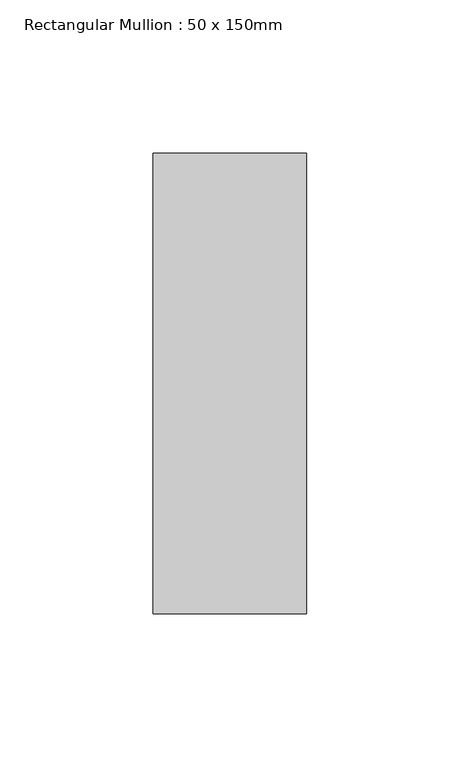
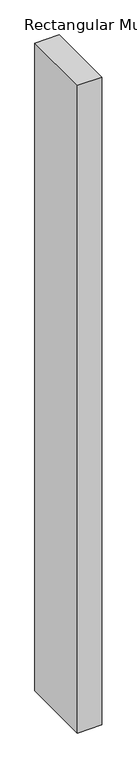
"""IFC4 building model written with IfcOpenShell, lengths in millimetres: member geometry, Rectangular Mullion : 50 x 150mm."""

import ifcopenshell
import ifcopenshell.guid

model = None  # the IFC model being written
_history = None  # IfcOwnerHistory: only IFC2X3 demands one
_inside = {}  # id of a spatial element -> (the spatial element, [elements in it])
_under = {}  # id of a project, library or spatial element -> (it, [spatial elements below it])
_declared = {}  # id of a project -> (the project, [libraries it declares])
_typed = {}  # id of a type object -> (the type object, [elements of that type])
_made_of = {}  # id of a material, layer set ... -> (it, [elements and type objects made of it])


def new_model(schema):
    """Start an empty IFC model of exactly this schema.

    Asked for "IFC4X3", IfcOpenShell would pick the latest addendum, in which some entities
    have other attributes; the version numbers below select the first issue.
    IFC2X3 requires an IfcOwnerHistory on every rooted entity: one is made here for all.
    """
    global model, _history
    if schema == "IFC4X3":
        model = ifcopenshell.file(schema_version=(4, 3, 0, 0))
    else:
        model = ifcopenshell.file(schema=schema)
    _inside.clear()
    _under.clear()
    _declared.clear()
    _typed.clear()
    _made_of.clear()
    _history = None
    if model.schema == "IFC2X3":
        org = make("IfcOrganization", Name="unknown")
        user = make(
            "IfcPersonAndOrganization",
            ThePerson=make("IfcPerson", FamilyName="unknown"),
            TheOrganization=org,
        )
        app = make(
            "IfcApplication",
            ApplicationDeveloper=org,
            Version="unknown",
            ApplicationFullName="unknown",
            ApplicationIdentifier="unknown",
        )
        _history = make(
            "IfcOwnerHistory",
            OwningUser=user,
            OwningApplication=app,
            ChangeAction="ADDED",
            CreationDate=0,
        )
    return model


def make(cls, **values):
    """One entity of the class cls with the attributes given. An attribute that is None is left unset."""
    return model.create_entity(
        cls, **{name: value for name, value in values.items() if value is not None}
    )


def rooted(cls, **values):
    """An entity with a GlobalId (a new one), such as an element, a storey or a relation."""
    return make(cls, GlobalId=ifcopenshell.guid.new(), OwnerHistory=_history, **values)


def si_unit(unit_type, name, prefix=None):
    """IfcSIUnit, for example si_unit("LENGTHUNIT", "METRE", prefix="MILLI")."""
    return make("IfcSIUnit", UnitType=unit_type, Prefix=prefix, Name=name)


def assignment(units):
    """IfcUnitAssignment: the units of a project."""
    return None if units is None else make("IfcUnitAssignment", Units=units)


def point(xyz):
    """IfcCartesianPoint."""
    return None if xyz is None else make("IfcCartesianPoint", Coordinates=xyz)


def direction(xyz):
    """IfcDirection."""
    return None if xyz is None else make("IfcDirection", DirectionRatios=xyz)


def frame(location, z_axis=None, x_axis=None):
    """IfcAxis2Placement3D, a coordinate frame: its origin and axes. An axis left out is left unset."""
    return make(
        "IfcAxis2Placement3D",
        Location=point(location),
        Axis=direction(z_axis),
        RefDirection=direction(x_axis),
    )


def origin():
    """The frame at (0, 0, 0) with its axes left unset."""
    return frame((0.0, 0.0, 0.0))


def place(relative_to, where):
    """IfcLocalPlacement: puts the frame where relative to a parent placement (None: the world)."""
    return make(
        "IfcLocalPlacement", PlacementRelTo=relative_to, RelativePlacement=where
    )


def context(
    kind, dimensions, precision=None, world=None, true_north=None, identifier=None
):
    """IfcGeometricRepresentationContext, for example the 3D "Model" context."""
    return make(
        "IfcGeometricRepresentationContext",
        ContextIdentifier=identifier,
        ContextType=kind,
        CoordinateSpaceDimension=dimensions,
        Precision=precision,
        WorldCoordinateSystem=world,
        TrueNorth=true_north,
    )


def project(units=None, contexts=None):
    """IfcProject with its units and contexts."""
    return rooted(
        "IfcProject",
        Name="project",
        RepresentationContexts=contexts,
        UnitsInContext=assignment(units),
    )


def spatial(cls, under=None, at=None, **own):
    """A site, building, storey or space (cls), placed at a placement, below another one or the project."""
    s = rooted(cls, ObjectPlacement=at, **own)
    if under is not None:
        _under.setdefault(under.id(), (under, []))[1].append(s)
    return s


def polyline(points):
    """IfcPolyline through the points."""
    return make("IfcPolyline", Points=[point(p) for p in points])


def outline(outer, holes=None, kind="AREA"):
    """IfcArbitraryClosedProfileDef: a profile drawn as a closed curve; with holes, ...WithVoids."""
    if holes is None:
        return make("IfcArbitraryClosedProfileDef", ProfileType=kind, OuterCurve=outer)
    return make(
        "IfcArbitraryProfileDefWithVoids",
        ProfileType=kind,
        OuterCurve=outer,
        InnerCurves=holes,
    )


def extrude(swept, where, along, depth):
    """IfcExtrudedAreaSolid: the profile swept, set in the frame where, extruded along a direction by depth."""
    return make(
        "IfcExtrudedAreaSolid",
        SweptArea=swept,
        Position=where,
        ExtrudedDirection=direction(along),
        Depth=depth,
    )


def shape(context_of_items, identifier, shape_type, items):
    """IfcShapeRepresentation: the items that make up one representation, for example the "Body"."""
    return make(
        "IfcShapeRepresentation",
        ContextOfItems=context_of_items,
        RepresentationIdentifier=identifier,
        RepresentationType=shape_type,
        Items=items,
    )


def source(mapping_origin, context_of_items, identifier, shape_type, items):
    """IfcRepresentationMap: a shape defined once, which mapped items show again and again."""
    return make(
        "IfcRepresentationMap",
        MappingOrigin=mapping_origin,
        MappedRepresentation=shape(context_of_items, identifier, shape_type, items),
    )


def transform(
    local_origin,
    x_axis=None,
    y_axis=None,
    z_axis=None,
    scale=None,
    scale2=None,
    scale3=None,
    uniform=True,
):
    """IfcCartesianTransformationOperator3D, or its non-uniform kind. x_axis, y_axis, z_axis: its Axis1, 2, 3."""
    if uniform:
        return make(
            "IfcCartesianTransformationOperator3D",
            Axis1=direction(x_axis),
            Axis2=direction(y_axis),
            LocalOrigin=point(local_origin),
            Scale=scale,
            Axis3=direction(z_axis),
        )
    return make(
        "IfcCartesianTransformationOperator3DnonUniform",
        Axis1=direction(x_axis),
        Axis2=direction(y_axis),
        LocalOrigin=point(local_origin),
        Scale=scale,
        Axis3=direction(z_axis),
        Scale2=scale2,
        Scale3=scale3,
    )


def mapped(mapping_source, mapping_target):
    """IfcMappedItem: shows the shape of a source again, moved by a transform."""
    return make(
        "IfcMappedItem", MappingSource=mapping_source, MappingTarget=mapping_target
    )


def made_of(thing, what):
    """Note that an element or type object is made of a material, layer set ...; save() writes the relation."""
    if what is not None:
        _made_of.setdefault(what.id(), (what, []))[1].append(thing)
    return thing


def element(
    cls,
    number,
    at=None,
    inside=None,
    cuts=None,
    type_object=None,
    material=None,
    context=None,
    identifier="Body",
    shape_type=None,
    held_by="IfcProductDefinitionShape",
    body=None,
    shapes=None,
    **own,
):
    """One element of the class cls, such as IfcWall. Its Tag is "e" and its number.

    at: its placement. inside: the storey or other place that contains it. cuts: it is an
    opening in that element (IfcRelVoidsElement). A single representation is given by context,
    identifier, shape_type and body (its items); several are given by shapes. held_by: the class
    of the entity that holds the representations. save() writes the other relations.
    """
    e = rooted(cls, Tag="e%d" % number, ObjectPlacement=at, **own)
    if body is not None:
        shapes = [shape(context, identifier, shape_type, body)]
    if shapes is not None:
        e.Representation = make(held_by, Representations=shapes)
    if inside is not None:
        _inside.setdefault(inside.id(), (inside, []))[1].append(e)
    if cuts is not None:
        rooted(
            "IfcRelVoidsElement", RelatingBuildingElement=cuts, RelatedOpeningElement=e
        )
    if type_object is not None:
        _typed.setdefault(type_object.id(), (type_object, []))[1].append(e)
    return made_of(e, material)


def aggregate(whole, parts):
    """IfcRelAggregates: a whole, such as a stair, and the parts it consists of."""
    return rooted("IfcRelAggregates", RelatingObject=whole, RelatedObjects=parts)


def save(model, path):
    """Write the relations noted so far, then the file.

    IfcRelAggregates (storeys below a building ...), IfcRelContainedInSpatialStructure (elements
    in a storey), IfcRelDefinesByType, IfcRelAssociatesMaterial and IfcRelDeclares: one each for
    every whole, place, type object, material and project.
    """
    for whole, parts in _under.values():
        aggregate(whole, parts)
    for where, things in _inside.values():
        rooted(
            "IfcRelContainedInSpatialStructure",
            RelatedElements=things,
            RelatingStructure=where,
        )
    for kind, things in _typed.values():
        rooted("IfcRelDefinesByType", RelatedObjects=things, RelatingType=kind)
    for what, things in _made_of.values():
        rooted("IfcRelAssociatesMaterial", RelatedObjects=things, RelatingMaterial=what)
    for by, libraries in _declared.values():
        rooted("IfcRelDeclares", RelatingContext=by, RelatedDefinitions=libraries)
    model.write(path)


def rectangular_mullion_50_x_150mm_07e14ac9(model_context):
    return source(origin(), model_context, "Body", "SweptSolid", [
        extrude(outline(polyline([(25.0, 75.0), (25.0, -75.0), (-25.0, -75.0), (-25.0, 75.0), (25.0, 75.0)])), frame((0.0, 0.0, -1395.6248603), z_axis=(0.0, 0.0, 1.0), x_axis=(1.0, 0.0, 0.0)), (0.0, 0.0, 1.0), 1395.6248603),
    ])


if __name__ == "__main__":
    model = new_model("IFC4")
    model_context = context("Model", 3, world=origin())
    ifc_project = project(units=[si_unit("LENGTHUNIT", "METRE", prefix="MILLI")], contexts=[model_context])
    site = spatial("IfcSite", under=ifc_project)
    building = spatial("IfcBuilding", under=site)
    placement = place(None, origin())
    rectangular_mullion_50_x_150mm_shape = rectangular_mullion_50_x_150mm_07e14ac9(model_context)
    element("IfcMember", 1, ObjectType="Rectangular Mullion : 50 x 150mm", at=placement, inside=building, context=model_context, shape_type="MappedRepresentation", body=[
        mapped(rectangular_mullion_50_x_150mm_shape, transform((0.0, 0.0, 0.0), x_axis=(1.0, 0.0, 0.0), y_axis=(0.0, 1.0, 0.0), z_axis=(0.0, 0.0, 1.0))),
    ])
    save(model, "model.ifc")
